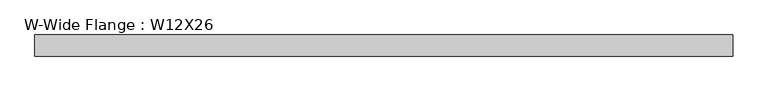
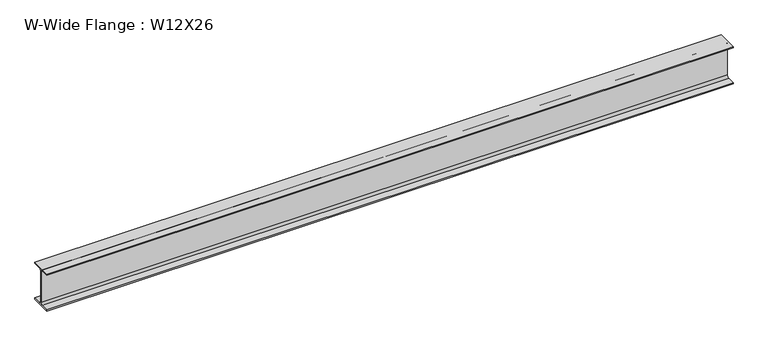
"""IFC4 building model written with IfcOpenShell, lengths in millimetres: beam geometry, W-Wide Flange : W12X26."""

from ifc_helpers import new_model, si_unit, point, frame, frame_2d, origin, place, context, project, spatial, polyline, circle_curve, trimmed, segment, composite_curve, outline, extrude, source, transform, mapped, element, save


def w_wide_flange_w12x26_a6ba20f6(model_context):
    return source(origin(), model_context, "Body", "SweptSolid", [
        extrude(outline(composite_curve([segment(polyline([(82.423, -145.288), (82.423, -154.94), (-82.423, -154.94), (-82.423, -145.288), (-20.2565, -145.288)]), True, "CONTINUOUS"), segment(trimmed(circle_curve(frame_2d((-20.2565, -127.9525)), 17.3355), [point((-20.2565, -145.288))], [point((-2.921, -127.9525))], True, "CARTESIAN"), True, "CONTINUOUS"), segment(polyline([(-2.921, -127.9525), (-2.921, 127.9525)]), True, "CONTINUOUS"), segment(trimmed(circle_curve(frame_2d((-20.2565, 127.9525)), 17.3355), [point((-2.921, 127.9525))], [point((-20.2565, 145.288))], True, "CARTESIAN"), True, "CONTINUOUS"), segment(polyline([(-20.2565, 145.288), (-82.423, 145.288), (-82.423, 154.94), (82.423, 154.94), (82.423, 145.288), (20.2565, 145.288)]), True, "CONTINUOUS"), segment(trimmed(circle_curve(frame_2d((20.2565, 127.9525)), 17.3355), [point((20.2565, 145.288))], [point((2.921, 127.9525))], True, "CARTESIAN"), True, "CONTINUOUS"), segment(polyline([(2.921, 127.9525), (2.921, -127.9525)]), True, "CONTINUOUS"), segment(trimmed(circle_curve(frame_2d((20.2565, -127.9525)), 17.3355), [point((2.921, -127.9525))], [point((20.2565, -145.288))], True, "CARTESIAN"), True, "CONTINUOUS"), segment(polyline([(20.2565, -145.288), (82.423, -145.288)]), True, "CONTINUOUS")], self_intersect=False)), frame((-2888.1371443, 0.0, 0.0), z_axis=(1.0, 0.0, 0.0), x_axis=(0.0, 1.0, 0.0)), (0.0, 0.0, 1.0), 5435.4852142),
    ])


if __name__ == "__main__":
    model = new_model("IFC4")
    model_context = context("Model", 3, world=origin())
    ifc_project = project(units=[si_unit("LENGTHUNIT", "METRE", prefix="MILLI")], contexts=[model_context])
    site = spatial("IfcSite", under=ifc_project)
    building = spatial("IfcBuilding", under=site)
    placement = place(None, origin())
    w_wide_flange_w12x26_shape = w_wide_flange_w12x26_a6ba20f6(model_context)
    element("IfcBeam", 1, ObjectType="W-Wide Flange : W12X26", at=placement, inside=building, context=model_context, shape_type="MappedRepresentation", body=[
        mapped(w_wide_flange_w12x26_shape, transform((0.0, 0.0, 0.0), x_axis=(1.0, 0.0, 0.0), y_axis=(0.0, 1.0, 0.0), z_axis=(0.0, 0.0, 1.0))),
    ])
    save(model, "model.ifc")
